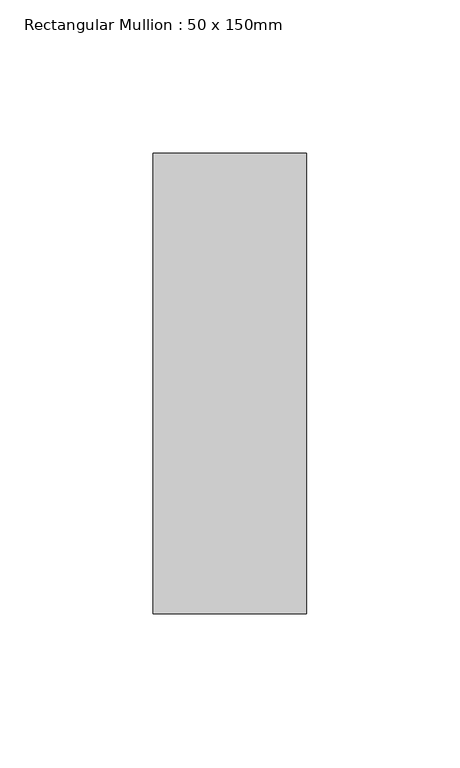
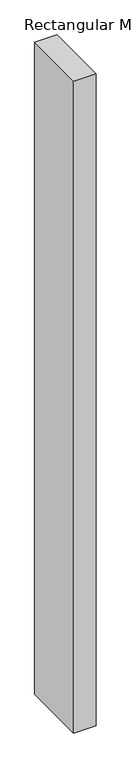
"""IFC4 building model written with IfcOpenShell, lengths in millimetres: member geometry, Rectangular Mullion : 50 x 150mm."""

from ifc_helpers import new_model, si_unit, frame, origin, place, context, project, spatial, polyline, outline, extrude, source, transform, mapped, element, save


def rectangular_mullion_50_x_150mm_81a47da3(model_context):
    return source(origin(), model_context, "Body", "SweptSolid", [
        extrude(outline(polyline([(25.0, 75.0), (25.0, -75.0), (-25.0, -75.0), (-25.0, 75.0), (25.0, 75.0)])), frame((0.0, 0.0, -1530.2634492), z_axis=(0.0, 0.0, 1.0), x_axis=(1.0, 0.0, 0.0)), (0.0, 0.0, 1.0), 1530.2634492),
    ])


if __name__ == "__main__":
    model = new_model("IFC4")
    model_context = context("Model", 3, world=origin())
    ifc_project = project(units=[si_unit("LENGTHUNIT", "METRE", prefix="MILLI")], contexts=[model_context])
    site = spatial("IfcSite", under=ifc_project)
    building = spatial("IfcBuilding", under=site)
    placement = place(None, origin())
    rectangular_mullion_50_x_150mm_shape = rectangular_mullion_50_x_150mm_81a47da3(model_context)
    element("IfcMember", 1, ObjectType="Rectangular Mullion : 50 x 150mm", at=placement, inside=building, context=model_context, shape_type="MappedRepresentation", body=[
        mapped(rectangular_mullion_50_x_150mm_shape, transform((0.0, 0.0, 0.0), x_axis=(1.0, 0.0, 0.0), y_axis=(0.0, 1.0, 0.0), z_axis=(0.0, 0.0, 1.0))),
    ])
    save(model, "model.ifc")
